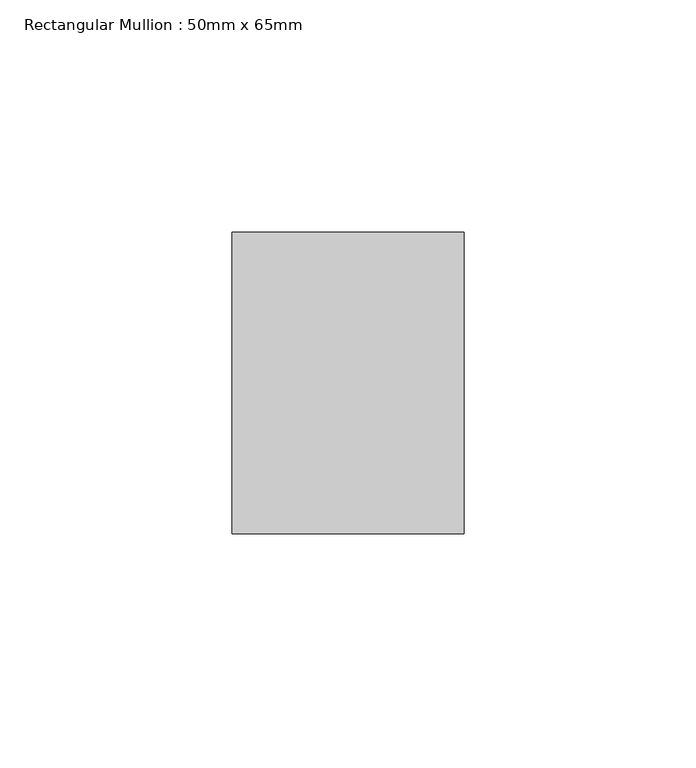
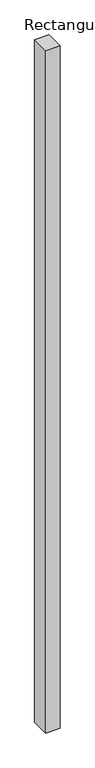
"""IFC4 building model written with IfcOpenShell, lengths in millimetres: member geometry, Rectangular Mullion : 50mm x 65mm."""

from ifc_helpers import new_model, si_unit, frame, origin, place, context, project, spatial, polyline, outline, extrude, source, transform, mapped, element, save


def rectangular_mullion_50mm_x_65mm_9fcc51b4(model_context):
    return source(origin(), model_context, "Body", "SweptSolid", [
        extrude(outline(polyline([(25.0, 32.5), (25.0, -32.5), (-25.0, -32.5), (-25.0, 32.5), (25.0, 32.5)])), frame((0.0, 0.0, -2478.0256667), z_axis=(0.0, 0.0, 1.0), x_axis=(1.0, 0.0, 0.0)), (0.0, 0.0, 1.0), 2478.0256667),
    ])


if __name__ == "__main__":
    model = new_model("IFC4")
    model_context = context("Model", 3, world=origin())
    ifc_project = project(units=[si_unit("LENGTHUNIT", "METRE", prefix="MILLI")], contexts=[model_context])
    site = spatial("IfcSite", under=ifc_project)
    building = spatial("IfcBuilding", under=site)
    placement = place(None, origin())
    rectangular_mullion_50mm_x_65mm_shape = rectangular_mullion_50mm_x_65mm_9fcc51b4(model_context)
    element("IfcMember", 1, ObjectType="Rectangular Mullion : 50mm x 65mm", at=placement, inside=building, context=model_context, shape_type="MappedRepresentation", body=[
        mapped(rectangular_mullion_50mm_x_65mm_shape, transform((0.0, 0.0, 0.0), x_axis=(1.0, 0.0, 0.0), y_axis=(0.0, 1.0, 0.0), z_axis=(0.0, 0.0, 1.0))),
    ])
    save(model, "model.ifc")
